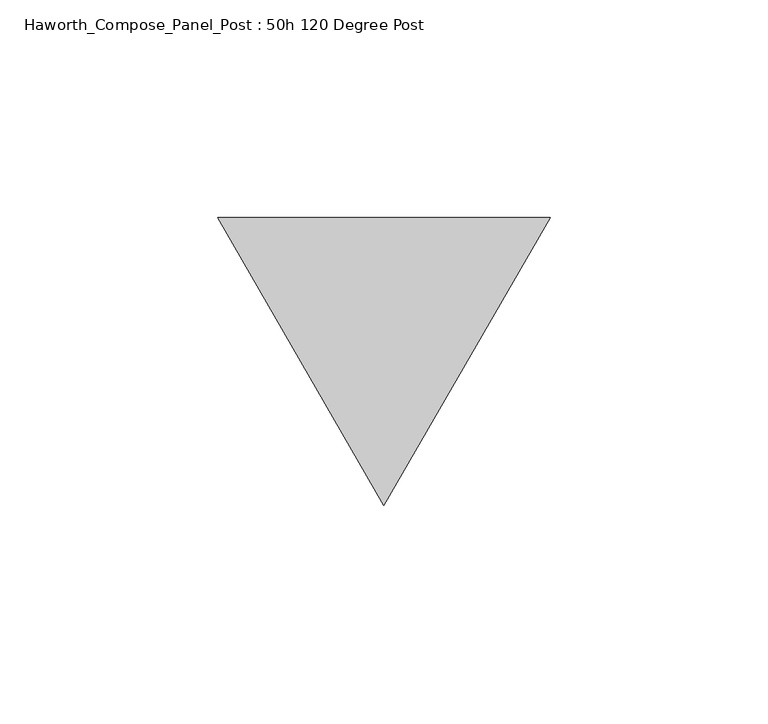
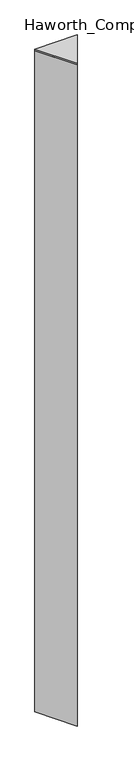
"""IFC4 building model written with IfcOpenShell, lengths in millimetres: furniture geometry, Haworth_Compose_Panel_Post : 50h 120 Degree Post."""

from ifc_helpers import new_model, si_unit, frame, origin, place, context, project, spatial, polyline, outline, extrude, source, transform, mapped, element, save


def haworth_compose_panel_post_50h_120_degree_post_b50941e5(model_context):
    return source(origin(), model_context, "Body", "SweptSolid", [
        extrude(outline(polyline([(76.2, 32.9955679), (38.1, -32.9955679), (0.0, 32.9955679), (76.2, 32.9955679)])), frame((0.0, 0.0, 1263.65), z_axis=(0.0, 0.0, 1.0), x_axis=(1.0, 0.0, 0.0)), (0.0, 0.0, 1.0), 3.175),
        extrude(outline(polyline([(76.2, 32.9955679), (38.1, -32.9955679), (0.0, 32.9955679), (76.2, 32.9955679)])), frame((0.0, 0.0, 12.7), z_axis=(0.0, 0.0, 1.0), x_axis=(1.0, 0.0, 0.0)), (0.0, 0.0, 1.0), 1250.95),
    ])


if __name__ == "__main__":
    model = new_model("IFC4")
    model_context = context("Model", 3, world=origin())
    ifc_project = project(units=[si_unit("LENGTHUNIT", "METRE", prefix="MILLI")], contexts=[model_context])
    site = spatial("IfcSite", under=ifc_project)
    building = spatial("IfcBuilding", under=site)
    placement = place(None, origin())
    haworth_compose_panel_post_50h_120_degree_post_shape = haworth_compose_panel_post_50h_120_degree_post_b50941e5(model_context)
    element("IfcFurniture", 1, ObjectType="Haworth_Compose_Panel_Post : 50h 120 Degree Post", at=placement, inside=building, context=model_context, shape_type="MappedRepresentation", body=[
        mapped(haworth_compose_panel_post_50h_120_degree_post_shape, transform((0.0, 0.0, 0.0), x_axis=(1.0, 0.0, 0.0), y_axis=(0.0, 1.0, 0.0), z_axis=(0.0, 0.0, 1.0))),
    ])
    save(model, "model.ifc")
